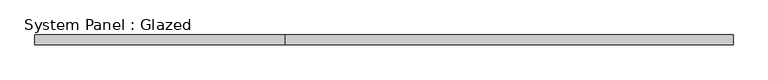
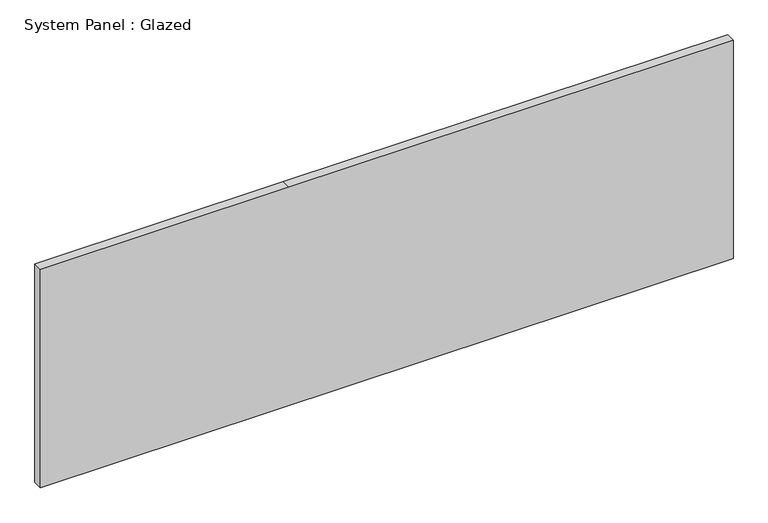
"""IFC4 building model written with IfcOpenShell, lengths in millimetres: plate geometry, System Panel : Glazed."""

from ifc_helpers import new_model, si_unit, frame, origin, place, context, project, spatial, polyline, outline, extrude, source, transform, mapped, element, save


def system_panel_glazed_33d00c36(model_context):
    return source(origin(), model_context, "Body", "SweptSolid", [
        extrude(outline(polyline([(0.0, -914.4), (0.0, 914.4), (609.6, 914.4), (609.6, -258.2095252), (609.6, -914.4), (0.0, -914.4)])), frame((0.0, 19.05, 0.0), z_axis=(0.0, 1.0, 0.0), x_axis=(0.0, 0.0, 1.0)), (0.0, 0.0, 1.0), 25.4),
    ])


if __name__ == "__main__":
    model = new_model("IFC4")
    model_context = context("Model", 3, world=origin())
    ifc_project = project(units=[si_unit("LENGTHUNIT", "METRE", prefix="MILLI")], contexts=[model_context])
    site = spatial("IfcSite", under=ifc_project)
    building = spatial("IfcBuilding", under=site)
    placement = place(None, origin())
    system_panel_glazed_shape = system_panel_glazed_33d00c36(model_context)
    element("IfcPlate", 1, ObjectType="System Panel : Glazed", at=placement, inside=building, context=model_context, shape_type="MappedRepresentation", body=[
        mapped(system_panel_glazed_shape, transform((0.0, 0.0, 0.0), x_axis=(1.0, 0.0, 0.0), y_axis=(0.0, 1.0, 0.0), z_axis=(0.0, 0.0, 1.0))),
    ])
    save(model, "model.ifc")
